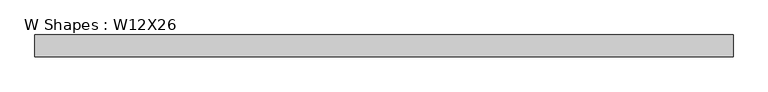
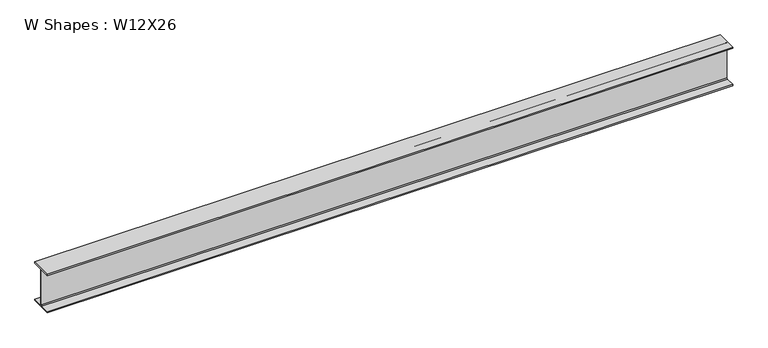
"""IFC4 building model written with IfcOpenShell, lengths in millimetres: beam geometry, W Shapes : W12X26."""

from ifc_helpers import new_model, si_unit, point, frame, frame_2d, origin, place, context, project, spatial, polyline, circle_curve, trimmed, segment, composite_curve, outline, extrude, source, transform, mapped, element, save


def w_shapes_w12x26_5f224e7e(model_context):
    return source(origin(), model_context, "Body", "SweptSolid", [
        extrude(outline(composite_curve([segment(polyline([(82.423, -145.288), (82.423, -154.94), (-82.423, -154.94), (-82.423, -145.288), (-10.541, -145.288)]), True, "CONTINUOUS"), segment(trimmed(circle_curve(frame_2d((-10.541, -137.668)), 7.62), [point((-10.541, -145.288))], [point((-2.921, -137.668))], True, "CARTESIAN"), True, "CONTINUOUS"), segment(polyline([(-2.921, -137.668), (-2.921, 137.668)]), True, "CONTINUOUS"), segment(trimmed(circle_curve(frame_2d((-10.541, 137.668)), 7.62), [point((-2.921, 137.668))], [point((-10.541, 145.288))], True, "CARTESIAN"), True, "CONTINUOUS"), segment(polyline([(-10.541, 145.288), (-82.423, 145.288), (-82.423, 154.94), (82.423, 154.94), (82.423, 145.288), (10.541, 145.288)]), True, "CONTINUOUS"), segment(trimmed(circle_curve(frame_2d((10.541, 137.668)), 7.62), [point((10.541, 145.288))], [point((2.921, 137.668))], True, "CARTESIAN"), True, "CONTINUOUS"), segment(polyline([(2.921, 137.668), (2.921, -137.668)]), True, "CONTINUOUS"), segment(trimmed(circle_curve(frame_2d((10.541, -137.668)), 7.62), [point((2.921, -137.668))], [point((10.541, -145.288))], True, "CARTESIAN"), True, "CONTINUOUS"), segment(polyline([(10.541, -145.288), (82.423, -145.288)]), True, "CONTINUOUS")], self_intersect=False)), frame((-2619.629, 0.0, 0.0), z_axis=(1.0, 0.0, 0.0), x_axis=(0.0, 1.0, 0.0)), (0.0, 0.0, 1.0), 5239.258),
    ])


if __name__ == "__main__":
    model = new_model("IFC4")
    model_context = context("Model", 3, world=origin())
    ifc_project = project(units=[si_unit("LENGTHUNIT", "METRE", prefix="MILLI")], contexts=[model_context])
    site = spatial("IfcSite", under=ifc_project)
    building = spatial("IfcBuilding", under=site)
    placement = place(None, origin())
    w_shapes_w12x26_shape = w_shapes_w12x26_5f224e7e(model_context)
    element("IfcBeam", 1, ObjectType="W Shapes : W12X26", at=placement, inside=building, context=model_context, shape_type="MappedRepresentation", body=[
        mapped(w_shapes_w12x26_shape, transform((0.0, 0.0, 0.0), x_axis=(1.0, 0.0, 0.0), y_axis=(0.0, 1.0, 0.0), z_axis=(0.0, 0.0, 1.0))),
    ])
    save(model, "model.ifc")
